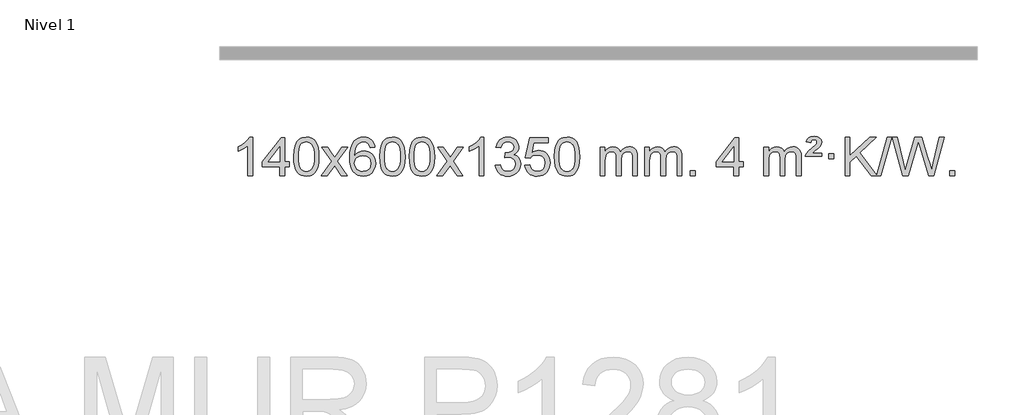
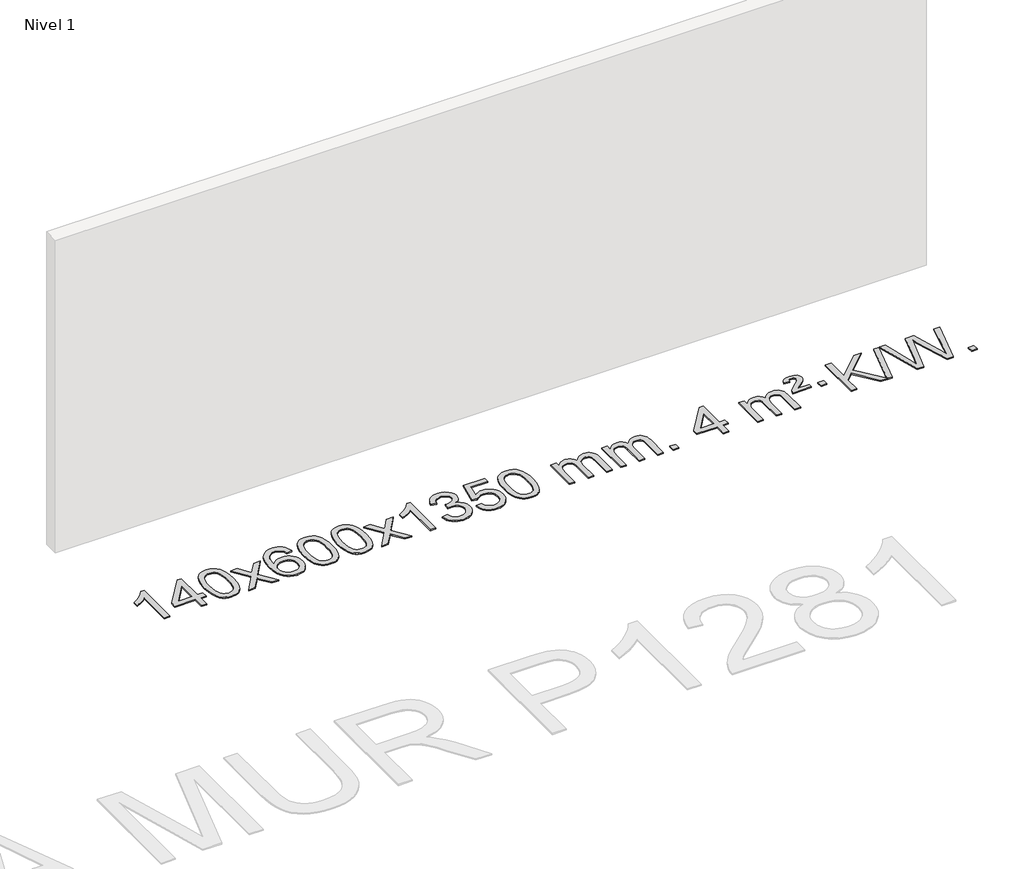
# One storey, part 3 of 16: 1 proxy.
"""IFC4 building model written with IfcOpenShell, lengths in millimetres."""

from ifc_helpers import new_model, si_unit, origin, origin_with_axes, place, context, project, spatial, polyline, outline, extrude, element, save

model = new_model("IFC4")

# Units and contexts
model_context = context("Model", 3, world=origin())
ifc_project = project(units=[si_unit("LENGTHUNIT", "METRE", prefix="MILLI")], contexts=[model_context])

# Site, building, storey
site = spatial("IfcSite", under=ifc_project)
building = spatial("IfcBuilding", under=site)
storey = spatial("IfcBuildingStorey", under=building, Name="Nivel 1", Elevation=0.0)

# Proxy
placement = place(None, origin())
element("IfcBuildingElementProxy", 1, Name="Texto de modelo 1", ObjectType="Texto de modelo 1", at=placement, inside=storey, context=model_context, shape_type="SweptSolid", body=[
    extrude(outline(polyline([(110.6673634, -33620.579453), (60.4392083, -33620.579453), (60.4392083, -33307.4382987), (39.4699346, -33324.3976587), (12.8598036, -33341.3324932), (-40.0171019, -33366.6918254), (-40.0171019, -33319.2105225), (-0.5678892, -33297.7507395), (33.6083481, -33272.219729), (60.5495729, -33245.0700378), (78.2937478, -33218.7542124), (110.6673634, -33218.7542124), (110.6673634, -33620.579453)])), origin_with_axes(), (0.0, 0.0, 1.0), 10.0),
    extrude(outline(polyline([(393.2007357, -33620.579453), (393.2007357, -33526.4016622), (211.1236735, -33526.4016622), (211.1236735, -33476.1735072), (405.7577744, -33225.0327318), (443.4288907, -33225.0327318), (443.4288907, -33476.1735072), (493.6570458, -33476.1735072), (493.6570458, -33526.4016622), (443.4288907, -33526.4016622), (443.4288907, -33620.579453), (393.2007357, -33620.579453)]), holes=[polyline([(393.2007357, -33476.1735072), (393.2007357, -33320.9763561), (272.9278487, -33476.1735072), (393.2007357, -33476.1735072)])]), origin_with_axes(), (0.0, 0.0, 1.0), 10.0),
    extrude(outline(polyline([(537.6066815, -33422.9041943), (541.2977642, -33358.5861588), (552.3710122, -33307.2911459), (570.7160611, -33268.2343407), (582.5741241, -33253.0009605), (596.2225461, -33240.6309284), (611.7073124, -33231.0598651), (629.0744082, -33224.2233914), (669.4555886, -33218.7542124), (700.4067271, -33221.991574), (728.1205041, -33231.7036586), (751.2970698, -33247.5103217), (768.6365745, -33269.0314184), (781.7331735, -33296.0830078), (792.1810222, -33328.4811488), (799.0236273, -33369.6226186), (801.3044957, -33422.9041943), (797.6502012, -33486.8543477), (786.6873177, -33538.0267333), (768.4526335, -33577.1203266), (756.6221617, -33592.3996922), (742.9829367, -33604.8341036), (727.4797763, -33614.4695462), (710.0574981, -33621.3520052), (669.4555886, -33626.8579724), (641.7908625, -33624.4667394), (617.2653962, -33617.2930405), (595.8791895, -33605.3368757), (577.6322426, -33588.5982449), (560.1210596, -33558.3399508), (547.6130718, -33520.6381776), (540.1082791, -33475.4929255), (537.6066815, -33422.9041943)]), holes=[polyline([(587.8348366, -33422.8060924), (589.3063646, -33466.4706195), (593.7209485, -33501.8148822), (601.0785884, -33528.8388804), (611.3792843, -33547.5426142), (623.8382212, -33560.2682656), (637.6705842, -33569.3580165), (652.8763733, -33574.8118671), (669.4555886, -33576.6298173), (686.0348038, -33574.8057357), (701.240593, -33569.3334911), (715.072956, -33560.2130833), (727.5318929, -33547.4445124), (737.8325887, -33528.7101217), (745.1902287, -33501.6922549), (749.6048126, -33466.3909118), (751.0763406, -33422.8060924), (749.6538635, -33380.2973278), (745.3864324, -33345.5753989), (738.2740471, -33318.6403055), (728.3167078, -33299.4920476), (716.0662374, -33286.1440625), (702.0744588, -33276.6097875), (686.3413722, -33270.8892225), (668.8669774, -33268.9823675), (652.3736013, -33270.6623619), (637.4253295, -33275.7023452), (624.0221622, -33284.1023175), (612.1640992, -33295.8622786), (601.5200468, -33316.708925), (593.9171522, -33344.8151094), (589.3554155, -33380.1808319), (587.8348366, -33422.8060924)])]), origin_with_axes(), (0.0, 0.0, 1.0), 10.0),
    extrude(outline(polyline([(826.4185732, -33620.579453), (933.7420139, -33472.2494325), (832.6970926, -33325.4890419), (893.1278416, -33325.4890419), (941.8844687, -33396.122385), (964.6441015, -33429.4770192), (984.3625765, -33402.2047007), (1039.8882323, -33325.4890419), (1100.3189813, -33325.4890419), (994.172763, -33472.2494325), (1096.3949067, -33620.579453), (1035.9641576, -33620.579453), (974.454288, -33531.4048574), (963.1725735, -33515.1199477), (886.8493223, -33620.579453), (826.4185732, -33620.579453)])), origin_with_axes(), (0.0, 0.0, 1.0), 10.0),
    extrude(outline(polyline([(1385.2067984, -33325.4890419), (1334.9786433, -33331.7675613), (1326.8852394, -33306.874213), (1315.9468814, -33289.8780648), (1293.1627232, -33274.2062918), (1265.6206245, -33268.9823675), (1242.2723805, -33272.0235253), (1220.2975627, -33281.1469988), (1201.4252163, -33300.3627017), (1186.0109607, -33326.8134171), (1175.5999003, -33364.227016), (1171.7371393, -33416.3313693), (1191.8848099, -33392.8237098), (1216.0301315, -33376.2567573), (1242.8242035, -33366.434308), (1270.9181252, -33363.1601582), (1295.0511841, -33365.398107), (1317.3203076, -33372.1119534), (1337.7254956, -33383.3016975), (1356.2667481, -33398.9673391), (1371.6748723, -33418.1769106), (1382.6806754, -33439.9984443), (1389.2841572, -33464.4319401), (1391.4853178, -33491.4773982), (1387.340514, -33527.4439945), (1374.9061025, -33560.786366), (1355.2121531, -33589.0642287), (1329.2887351, -33609.8372987), (1298.3130711, -33622.602804), (1263.4623835, -33626.8579724), (1233.5198547, -33624.0375437), (1206.4774624, -33615.5762579), (1182.3352065, -33601.4741147), (1161.0930869, -33581.7311143), (1143.775042, -33555.5133908), (1131.4050099, -33521.9870783), (1123.9829907, -33481.1521768), (1121.5089843, -33433.0086864), (1124.2558365, -33379.0342663), (1132.4963932, -33332.9693092), (1146.2306543, -33294.8138149), (1165.4586199, -33264.5677835), (1186.299135, -33244.5243462), (1210.4628507, -33230.2076052), (1237.9497671, -33221.6175606), (1268.7598842, -33218.7542124), (1291.8935303, -33220.5261773), (1312.8321472, -33225.8420722), (1331.5757349, -33234.7018969), (1348.1242933, -33247.1056515), (1362.0302327, -33262.6364031), (1372.8459634, -33280.8772186), (1380.5714853, -33301.8280983), (1385.2067984, -33325.4890419)]), holes=[polyline([(1171.7371393, -33490.6925832), (1174.6434071, -33512.9494439), (1183.3622104, -33534.2007605), (1196.9002678, -33552.472233), (1214.264298, -33565.7895612), (1235.221309, -33573.9197533), (1259.5383088, -33576.6298173), (1292.6844766, -33571.0134855), (1306.5996131, -33563.9930708), (1318.7427846, -33554.1644901), (1328.592825, -33541.9262824), (1335.6285682, -33527.6769865), (1341.2571627, -33493.1451299), (1335.7021446, -33459.9989621), (1328.7583719, -33446.3781312), (1319.0370902, -33434.725469), (1306.8571305, -33425.3904634), (1292.5373238, -33418.7226022), (1257.4781697, -33413.3883133), (1224.3810528, -33418.7226022), (1196.7040641, -33434.725469), (1185.7810345, -33446.2248471), (1177.9788705, -33459.3858254), (1173.2975721, -33474.2084042), (1171.7371393, -33490.6925832)])]), origin_with_axes(), (0.0, 0.0, 1.0), 10.0),
    extrude(outline(polyline([(1435.4349535, -33422.9041943), (1439.1260362, -33358.5861588), (1450.1992842, -33307.2911459), (1468.544333, -33268.2343407), (1480.402396, -33253.0009605), (1494.050818, -33240.6309284), (1509.5355843, -33231.0598651), (1526.9026802, -33224.2233914), (1567.2838605, -33218.7542124), (1598.2349991, -33221.991574), (1625.948776, -33231.7036586), (1649.1253417, -33247.5103217), (1666.4648464, -33269.0314184), (1679.5614455, -33296.0830078), (1690.0092941, -33328.4811488), (1696.8518992, -33369.6226186), (1699.1327676, -33422.9041943), (1695.4784731, -33486.8543477), (1684.5155897, -33538.0267333), (1666.2809054, -33577.1203266), (1654.4504336, -33592.3996922), (1640.8112086, -33604.8341036), (1625.3080482, -33614.4695462), (1607.8857701, -33621.3520052), (1567.2838605, -33626.8579724), (1539.6191345, -33624.4667394), (1515.0936682, -33617.2930405), (1493.7074615, -33605.3368757), (1475.4605145, -33588.5982449), (1457.9493316, -33558.3399508), (1445.4413437, -33520.6381776), (1437.936551, -33475.4929255), (1435.4349535, -33422.9041943)]), holes=[polyline([(1485.6631085, -33422.8060924), (1487.1346365, -33466.4706195), (1491.5492205, -33501.8148822), (1498.9068604, -33528.8388804), (1509.2075562, -33547.5426142), (1521.6664931, -33560.2682656), (1535.4988562, -33569.3580165), (1550.7046453, -33574.8118671), (1567.2838605, -33576.6298173), (1583.8630758, -33574.8057357), (1599.0688649, -33569.3334911), (1612.9012279, -33560.2130833), (1625.3601648, -33547.4445124), (1635.6608607, -33528.7101217), (1643.0185006, -33501.6922549), (1647.4330846, -33466.3909118), (1648.9046125, -33422.8060924), (1647.4821355, -33380.2973278), (1643.2147043, -33345.5753989), (1636.1023191, -33318.6403055), (1626.1449798, -33299.4920476), (1613.8945093, -33286.1440625), (1599.9027308, -33276.6097875), (1584.1696441, -33270.8892225), (1566.6952493, -33268.9823675), (1550.2018732, -33270.6623619), (1535.2536015, -33275.7023452), (1521.8504341, -33284.1023175), (1509.9923712, -33295.8622786), (1499.3483188, -33316.708925), (1491.7454242, -33344.8151094), (1487.1836875, -33380.1808319), (1485.6631085, -33422.8060924)])]), origin_with_axes(), (0.0, 0.0, 1.0), 10.0),
    extrude(outline(polyline([(1743.0824033, -33422.9041943), (1746.773486, -33358.5861588), (1757.846734, -33307.2911459), (1776.1917829, -33268.2343407), (1788.0498458, -33253.0009605), (1801.6982679, -33240.6309284), (1817.1830342, -33231.0598651), (1834.55013, -33224.2233914), (1874.9313104, -33218.7542124), (1905.8824489, -33221.991574), (1933.5962259, -33231.7036586), (1956.7727916, -33247.5103217), (1974.1122963, -33269.0314184), (1987.2088953, -33296.0830078), (1997.656744, -33328.4811488), (2004.4993491, -33369.6226186), (2006.7802174, -33422.9041943), (2003.125923, -33486.8543477), (1992.1630395, -33538.0267333), (1973.9283553, -33577.1203266), (1962.0978834, -33592.3996922), (1948.4586585, -33604.8341036), (1932.9554981, -33614.4695462), (1915.5332199, -33621.3520052), (1874.9313104, -33626.8579724), (1847.2665843, -33624.4667394), (1822.741118, -33617.2930405), (1801.3549113, -33605.3368757), (1783.1079644, -33588.5982449), (1765.5967814, -33558.3399508), (1753.0887936, -33520.6381776), (1745.5840009, -33475.4929255), (1743.0824033, -33422.9041943)]), holes=[polyline([(1793.3105584, -33422.8060924), (1794.7820864, -33466.4706195), (1799.1966703, -33501.8148822), (1806.5543102, -33528.8388804), (1816.8550061, -33547.5426142), (1829.313943, -33560.2682656), (1843.146306, -33569.3580165), (1858.3520951, -33574.8118671), (1874.9313104, -33576.6298173), (1891.5105256, -33574.8057357), (1906.7163148, -33569.3334911), (1920.5486778, -33560.2130833), (1933.0076147, -33547.4445124), (1943.3083105, -33528.7101217), (1950.6659504, -33501.6922549), (1955.0805344, -33466.3909118), (1956.5520624, -33422.8060924), (1955.1295853, -33380.2973278), (1950.8621542, -33345.5753989), (1943.7497689, -33318.6403055), (1933.7924296, -33299.4920476), (1921.5419592, -33286.1440625), (1907.5501806, -33276.6097875), (1891.817094, -33270.8892225), (1874.3426992, -33268.9823675), (1857.8493231, -33270.6623619), (1842.9010513, -33275.7023452), (1829.497884, -33284.1023175), (1817.639821, -33295.8622786), (1806.9957686, -33316.708925), (1799.392874, -33344.8151094), (1794.8311373, -33380.1808319), (1793.3105584, -33422.8060924)])]), origin_with_axes(), (0.0, 0.0, 1.0), 10.0),
    extrude(outline(polyline([(2031.894295, -33620.579453), (2139.2177357, -33472.2494325), (2038.1728144, -33325.4890419), (2098.6035634, -33325.4890419), (2147.3601905, -33396.122385), (2170.1198233, -33429.4770192), (2189.8382982, -33402.2047007), (2245.3639541, -33325.4890419), (2305.7947031, -33325.4890419), (2199.6484848, -33472.2494325), (2301.8706285, -33620.579453), (2241.4398794, -33620.579453), (2179.9300098, -33531.4048574), (2168.6482953, -33515.1199477), (2092.3250441, -33620.579453), (2031.894295, -33620.579453)])), origin_with_axes(), (0.0, 0.0, 1.0), 10.0),
    extrude(outline(polyline([(2521.618807, -33620.579453), (2471.3906519, -33620.579453), (2471.3906519, -33307.4382987), (2450.4213782, -33324.3976587), (2423.8112472, -33341.3324932), (2370.9343417, -33366.6918254), (2370.9343417, -33319.2105225), (2410.3835544, -33297.7507395), (2444.5597917, -33272.219729), (2471.5010165, -33245.0700378), (2489.2451914, -33218.7542124), (2521.618807, -33218.7542124), (2521.618807, -33620.579453)])), origin_with_axes(), (0.0, 0.0, 1.0), 10.0),
    extrude(outline(polyline([(2640.9106753, -33513.8446235), (2691.1388303, -33507.5661041), (2702.3837567, -33539.1303793), (2718.8526073, -33560.4430095), (2741.3547227, -33572.5831154), (2770.6994432, -33576.6298173), (2805.1331979, -33571.0625364), (2819.4070193, -33564.1034354), (2831.7188034, -33554.3606939), (2848.7149516, -33529.4428201), (2854.3803343, -33499.2274455), (2848.7640025, -33470.5449126), (2831.9150072, -33447.2825078), (2806.4085222, -33431.8682522), (2774.8197215, -33426.730167), (2739.6011518, -33432.2238715), (2745.1929582, -33381.9957164), (2753.2373111, -33382.5843276), (2783.3300583, -33378.979084), (2810.2344949, -33368.1633534), (2821.307743, -33359.9841103), (2829.2172059, -33349.8673555), (2833.9628836, -33337.8130888), (2835.5447762, -33323.8213102), (2830.958514, -33302.1285352), (2817.1997274, -33284.5315131), (2796.2059282, -33272.8696539), (2769.9146282, -33268.9823675), (2743.5742774, -33272.9064421), (2722.0409179, -33284.6786659), (2706.320094, -33304.299039), (2697.4173497, -33331.7675613), (2647.1891946, -33325.4890419), (2653.1427516, -33301.5092672), (2661.9780509, -33280.3867093), (2673.6950924, -33262.1213683), (2688.2938762, -33246.713244), (2705.3145499, -33234.4811677), (2724.2972608, -33225.7439703), (2745.2420091, -33220.5016519), (2768.1487947, -33218.7542124), (2799.7253326, -33222.2000404), (2828.7266965, -33232.5375245), (2853.1785865, -33248.8469596), (2871.1067024, -33270.2086408), (2882.106374, -33294.8199463), (2885.7729313, -33320.8782543), (2882.290315, -33345.1584659), (2871.8424664, -33367.1823347), (2854.5765381, -33385.9443165), (2830.6396829, -33400.4388671), (2862.0813308, -33413.1430586), (2885.3805238, -33434.77452), (2899.801498, -33464.1560286), (2904.6084894, -33500.1103623), (2902.2049937, -33525.5923218), (2894.9945066, -33549.0631931), (2882.9770281, -33570.5229762), (2866.1525582, -33589.971671), (2845.6553997, -33606.1094278), (2822.6198554, -33617.636397), (2797.0459254, -33624.5525785), (2768.9336096, -33626.8579724), (2743.5252265, -33624.8898037), (2720.3731862, -33618.9852977), (2699.4774889, -33609.1444543), (2680.8381345, -33595.3672736), (2665.209281, -33578.4630959), (2653.3450867, -33559.2412617), (2645.2455514, -33537.7017708), (2640.9106753, -33513.8446235)])), origin_with_axes(), (0.0, 0.0, 1.0), 10.0),
    extrude(outline(polyline([(2948.5581251, -33513.8446235), (2998.7862802, -33507.5661041), (3008.0078555, -33537.7201649), (3024.0965614, -33559.3148381), (3046.9788215, -33572.3010725), (3076.5810594, -33576.6298173), (3095.7109232, -33575.1245668), (3112.584444, -33570.6088153), (3127.201622, -33563.0825628), (3139.562457, -33552.5458094), (3149.3910376, -33539.519721), (3156.4114524, -33524.5254641), (3162.0277842, -33488.6324441), (3156.7670716, -33454.8363514), (3150.191181, -33440.9181493), (3140.984934, -33428.9865099), (3129.117674, -33419.4154467), (3114.5587441, -33412.5789729), (3077.3658743, -33407.1097939), (3052.9998235, -33409.2925604), (3033.2690859, -33415.8408599), (3017.5114737, -33425.8717757), (3005.0647996, -33438.5023908), (2954.8366445, -33432.2238715), (2998.7862802, -33225.0327318), (3193.4203811, -33225.0327318), (3193.4203811, -33275.2608869), (3039.4004524, -33275.2608869), (3017.9161439, -33385.919791), (3035.6419247, -33373.2155994), (3053.7969012, -33364.1411769), (3072.3810733, -33358.6965234), (3091.3944411, -33356.8816388), (3115.8555281, -33359.1318504), (3138.3239209, -33365.882485), (3158.7996197, -33377.1335427), (3177.2826242, -33392.8850234), (3192.5834495, -33412.1743027), (3203.5126105, -33434.038756), (3210.0701071, -33458.4783832), (3212.2559392, -33485.4931844), (3210.2877706, -33511.5147042), (3204.3832645, -33535.7213394), (3194.5424212, -33558.1130902), (3180.7652405, -33578.6899565), (3159.8940686, -33599.7634634), (3135.5402805, -33614.8159684), (3107.7038762, -33623.8474714), (3076.3848557, -33626.8579724), (3050.4645034, -33624.9235262), (3027.0518801, -33619.1201877), (3006.1469858, -33609.447957), (2987.7498203, -33595.9068338), (2972.4428636, -33579.1712688), (2960.8085955, -33559.915712), (2952.847016, -33538.1401636), (2948.5581251, -33513.8446235)])), origin_with_axes(), (0.0, 0.0, 1.0), 10.0),
    extrude(outline(polyline([(3256.2055749, -33422.9041943), (3259.8966576, -33358.5861588), (3270.9699057, -33307.2911459), (3289.3149545, -33268.2343407), (3301.1730175, -33253.0009605), (3314.8214395, -33240.6309284), (3330.3062058, -33231.0598651), (3347.6733017, -33224.2233914), (3388.054482, -33218.7542124), (3419.0056205, -33221.991574), (3446.7193975, -33231.7036586), (3469.8959632, -33247.5103217), (3487.2354679, -33269.0314184), (3500.3320669, -33296.0830078), (3510.7799156, -33328.4811488), (3517.6225207, -33369.6226186), (3519.9033891, -33422.9041943), (3516.2490946, -33486.8543477), (3505.2862111, -33538.0267333), (3487.0515269, -33577.1203266), (3475.2210551, -33592.3996922), (3461.5818301, -33604.8341036), (3446.0786697, -33614.4695462), (3428.6563915, -33621.3520052), (3388.054482, -33626.8579724), (3360.389756, -33624.4667394), (3335.8642896, -33617.2930405), (3314.478083, -33605.3368757), (3296.231136, -33588.5982449), (3278.719953, -33558.3399508), (3266.2119652, -33520.6381776), (3258.7071725, -33475.4929255), (3256.2055749, -33422.9041943)]), holes=[polyline([(3306.43373, -33422.8060924), (3307.905258, -33466.4706195), (3312.3198419, -33501.8148822), (3319.6774818, -33528.8388804), (3329.9781777, -33547.5426142), (3342.4371146, -33560.2682656), (3356.2694776, -33569.3580165), (3371.4752668, -33574.8118671), (3388.054482, -33576.6298173), (3404.6336973, -33574.8057357), (3419.8394864, -33569.3334911), (3433.6718494, -33560.2130833), (3446.1307863, -33547.4445124), (3456.4314822, -33528.7101217), (3463.7891221, -33501.6922549), (3468.203706, -33466.3909118), (3469.675234, -33422.8060924), (3468.252757, -33380.2973278), (3463.9853258, -33345.5753989), (3456.8729406, -33318.6403055), (3446.9156012, -33299.4920476), (3434.6651308, -33286.1440625), (3420.6733522, -33276.6097875), (3404.9402656, -33270.8892225), (3387.4658708, -33268.9823675), (3370.9724947, -33270.6623619), (3356.024223, -33275.7023452), (3342.6210556, -33284.1023175), (3330.7629926, -33295.8622786), (3320.1189402, -33316.708925), (3312.5160457, -33344.8151094), (3307.9543089, -33380.1808319), (3306.43373, -33422.8060924)])]), origin_with_axes(), (0.0, 0.0, 1.0), 10.0),
    extrude(outline(polyline([(3733.3730481, -33620.579453), (3733.3730481, -33325.4890419), (3783.6012032, -33325.4890419), (3783.6012032, -33374.0494653), (3798.7088905, -33351.7435537), (3818.1330598, -33334.2691589), (3841.2115237, -33322.9751816), (3867.2820944, -33319.2105225), (3895.2166006, -33323.048758), (3917.6083513, -33334.5634645), (3934.3347194, -33352.9943524), (3945.2730774, -33377.5811324), (3963.581338, -33352.0439906), (3984.4647726, -33333.803175), (4007.9233811, -33322.8586857), (4033.9571637, -33319.2105225), (4054.0649804, -33320.7280358), (4071.7141191, -33325.2805755), (4086.9045798, -33332.8681416), (4099.6363625, -33343.4907342), (4109.7010008, -33357.2709806), (4116.8900281, -33374.3315082), (4121.2034445, -33394.6723168), (4122.64125, -33418.2934066), (4122.64125, -33620.579453), (4072.4130949, -33620.579453), (4072.4130949, -33439.875817), (4071.2481352, -33414.8230531), (4067.7532563, -33397.9372695), (4061.2049568, -33386.3735121), (4050.8797354, -33377.2868268), (4037.5991954, -33371.4007149), (4022.1849398, -33369.4386776), (3994.9739349, -33374.4663982), (3972.7906506, -33389.54956), (3964.1852776, -33401.1194488), (3958.0385826, -33415.7182326), (3953.1212266, -33454.0024856), (3953.1212266, -33620.579453), (3902.8930715, -33620.579453), (3902.8930715, -33434.2840106), (3899.9868038, -33405.8835206), (3891.2680005, -33385.6254854), (3875.9273213, -33373.4853796), (3853.1554258, -33369.4386776), (3833.8048328, -33372.1364789), (3815.9748188, -33380.2298828), (3801.259539, -33393.5226856), (3791.2531487, -33411.8186835), (3785.5141896, -33437.2025411), (3783.6012032, -33471.7589232), (3783.6012032, -33620.579453), (3733.3730481, -33620.579453)])), origin_with_axes(), (0.0, 0.0, 1.0), 10.0),
    extrude(outline(polyline([(4197.9834826, -33620.579453), (4197.9834826, -33325.4890419), (4248.2116377, -33325.4890419), (4248.2116377, -33374.0494653), (4263.3193249, -33351.7435537), (4282.7434943, -33334.2691589), (4305.8219581, -33322.9751816), (4331.8925288, -33319.2105225), (4359.827035, -33323.048758), (4382.2187858, -33334.5634645), (4398.9451538, -33352.9943524), (4409.8835118, -33377.5811324), (4428.1917724, -33352.0439906), (4449.075207, -33333.803175), (4472.5338156, -33322.8586857), (4498.5675981, -33319.2105225), (4518.6754148, -33320.7280358), (4536.3245535, -33325.2805755), (4551.5150143, -33332.8681416), (4564.246797, -33343.4907342), (4574.3114352, -33357.2709806), (4581.5004626, -33374.3315082), (4585.8138789, -33394.6723168), (4587.2516844, -33418.2934066), (4587.2516844, -33620.579453), (4537.0235293, -33620.579453), (4537.0235293, -33439.875817), (4535.8585697, -33414.8230531), (4532.3636907, -33397.9372695), (4525.8153912, -33386.3735121), (4515.4901699, -33377.2868268), (4502.2096299, -33371.4007149), (4486.7953743, -33369.4386776), (4459.5843694, -33374.4663982), (4437.401085, -33389.54956), (4428.795712, -33401.1194488), (4422.649017, -33415.7182326), (4417.731661, -33454.0024856), (4417.731661, -33620.579453), (4367.503506, -33620.579453), (4367.503506, -33434.2840106), (4364.5972382, -33405.8835206), (4355.8784349, -33385.6254854), (4340.5377557, -33373.4853796), (4317.7658602, -33369.4386776), (4298.4152673, -33372.1364789), (4280.5852532, -33380.2298828), (4265.8699734, -33393.5226856), (4255.8635832, -33411.8186835), (4250.124624, -33437.2025411), (4248.2116377, -33471.7589232), (4248.2116377, -33620.579453), (4197.9834826, -33620.579453)])), origin_with_axes(), (0.0, 0.0, 1.0), 10.0),
    extrude(outline(polyline([(4675.1509558, -33620.579453), (4675.1509558, -33570.3512979), (4725.3791109, -33570.3512979), (4725.3791109, -33620.579453), (4675.1509558, -33620.579453)])), origin_with_axes(), (0.0, 0.0, 1.0), 10.0),
    extrude(outline(polyline([(5127.2043515, -33620.579453), (5127.2043515, -33526.4016622), (4945.1272893, -33526.4016622), (4945.1272893, -33476.1735072), (5139.7613902, -33225.0327318), (5177.4325065, -33225.0327318), (5177.4325065, -33476.1735072), (5227.6606616, -33476.1735072), (5227.6606616, -33526.4016622), (5177.4325065, -33526.4016622), (5177.4325065, -33620.579453), (5127.2043515, -33620.579453)]), holes=[polyline([(5127.2043515, -33476.1735072), (5127.2043515, -33320.9763561), (5006.9314645, -33476.1735072), (5127.2043515, -33476.1735072)])]), origin_with_axes(), (0.0, 0.0, 1.0), 10.0),
    extrude(outline(polyline([(5441.1303207, -33620.579453), (5441.1303207, -33325.4890419), (5491.3584758, -33325.4890419), (5491.3584758, -33374.0494653), (5506.466163, -33351.7435537), (5525.8903324, -33334.2691589), (5548.9687962, -33322.9751816), (5575.0393669, -33319.2105225), (5602.9738731, -33323.048758), (5625.3656239, -33334.5634645), (5642.0919919, -33352.9943524), (5653.0303499, -33377.5811324), (5671.3386105, -33352.0439906), (5692.2220451, -33333.803175), (5715.6806537, -33322.8586857), (5741.7144362, -33319.2105225), (5761.8222529, -33320.7280358), (5779.4713916, -33325.2805755), (5794.6618524, -33332.8681416), (5807.3936351, -33343.4907342), (5817.4582733, -33357.2709806), (5824.6473007, -33374.3315082), (5828.9607171, -33394.6723168), (5830.3985225, -33418.2934066), (5830.3985225, -33620.579453), (5780.1703674, -33620.579453), (5780.1703674, -33439.875817), (5779.0054078, -33414.8230531), (5775.5105288, -33397.9372695), (5768.9622293, -33386.3735121), (5758.637008, -33377.2868268), (5745.356468, -33371.4007149), (5729.9422124, -33369.4386776), (5702.7312075, -33374.4663982), (5680.5479231, -33389.54956), (5671.9425501, -33401.1194488), (5665.7958551, -33415.7182326), (5660.8784991, -33454.0024856), (5660.8784991, -33620.579453), (5610.6503441, -33620.579453), (5610.6503441, -33434.2840106), (5607.7440763, -33405.8835206), (5599.025273, -33385.6254854), (5583.6845938, -33373.4853796), (5560.9126983, -33369.4386776), (5541.5621054, -33372.1364789), (5523.7320913, -33380.2298828), (5509.0168115, -33393.5226856), (5499.0104213, -33411.8186835), (5493.2714621, -33437.2025411), (5491.3584758, -33471.7589232), (5491.3584758, -33620.579453), (5441.1303207, -33620.579453)])), origin_with_axes(), (0.0, 0.0, 1.0), 10.0),
    extrude(outline(polyline([(5874.3481582, -33419.6668327), (5878.174131, -33403.8479069), (5886.5127895, -33387.9799302), (5908.0216235, -33362.8413272), (5939.9783061, -33335.1030247), (5984.1241456, -33297.726214), (5991.2610563, -33286.1992448), (5993.6400265, -33274.3779701), (5991.7515656, -33262.2869152), (5986.0861829, -33252.5012541), (5976.7174547, -33246.026531), (5963.7189576, -33243.8682899), (5951.2845461, -33245.4869707), (5942.4308528, -33250.343013), (5936.0051806, -33259.8098431), (5930.8548327, -33275.2608869), (5880.6266776, -33268.9823675), (5891.4669337, -33243.7701881), (5908.0951999, -33226.2099542), (5931.8603768, -33215.9092583), (5964.111365, -33212.475693), (5999.8940204, -33216.6082341), (6024.640216, -33229.0058573), (6039.0611902, -33247.3386434), (6043.8681816, -33269.2766731), (6039.7724287, -33292.1834586), (6027.4851701, -33313.8149199), (6006.9573547, -33333.6314968), (5970.4879863, -33361.6886303), (5944.8833994, -33388.2742358), (6043.8681816, -33388.2742358), (6043.8681816, -33419.6668327), (5874.3481582, -33419.6668327)])), origin_with_axes(), (0.0, 0.0, 1.0), 10.0),
    extrude(outline(polyline([(6119.2104142, -33444.7809102), (6119.2104142, -33394.5527552), (6169.4385693, -33394.5527552), (6169.4385693, -33444.7809102), (6119.2104142, -33444.7809102)])), origin_with_axes(), (0.0, 0.0, 1.0), 10.0),
    extrude(outline(polyline([(6560.0801972, -33620.579453), (6406.6488798, -33417.9009991), (6338.9585926, -33482.4520265), (6338.9585926, -33620.579453), (6288.7304376, -33620.579453), (6288.7304376, -33218.7542124), (6338.9585926, -33218.7542124), (6338.9585926, -33415.4484525), (6544.9725099, -33218.7542124), (6615.2134456, -33218.7542124), (6442.2598569, -33383.9577537), (6616.9134667, -33614.5349332), (6728.2267945, -33218.7542124), (6773.5498563, -33218.7542124), (6660.5365074, -33620.579453), (6621.4919649, -33620.579453), (6615.2134456, -33620.579453), (6560.0801972, -33620.579453)])), origin_with_axes(), (0.0, 0.0, 1.0), 10.0),
    extrude(outline(polyline([(6888.0347332, -33620.579453), (6778.4549496, -33218.7542124), (6830.2527345, -33218.7542124), (6893.8227432, -33482.844434), (6913.4431163, -33564.3670841), (6934.4369155, -33492.2622131), (7014.0956302, -33218.7542124), (7088.7511498, -33218.7542124), (7146.6312503, -33417.0180823), (7171.4264968, -33490.5944814), (7189.6979692, -33564.3670841), (7208.7297311, -33485.1988788), (7272.8883511, -33218.7542124), (7324.686136, -33218.7542124), (7215.0082505, -33620.579453), (7161.3465301, -33620.579453), (7065.0104983, -33310.5775584), (7051.5705428, -33267.3146358), (7036.4628555, -33319.4067263), (6948.661686, -33620.579453), (6888.0347332, -33620.579453)])), origin_with_axes(), (0.0, 0.0, 1.0), 10.0),
    extrude(outline(polyline([(7381.1928104, -33620.579453), (7381.1928104, -33570.3512979), (7431.4209655, -33570.3512979), (7431.4209655, -33620.579453), (7381.1928104, -33620.579453)])), origin_with_axes(), (0.0, 0.0, 1.0), 10.0),
])

save(model, "model.ifc")
